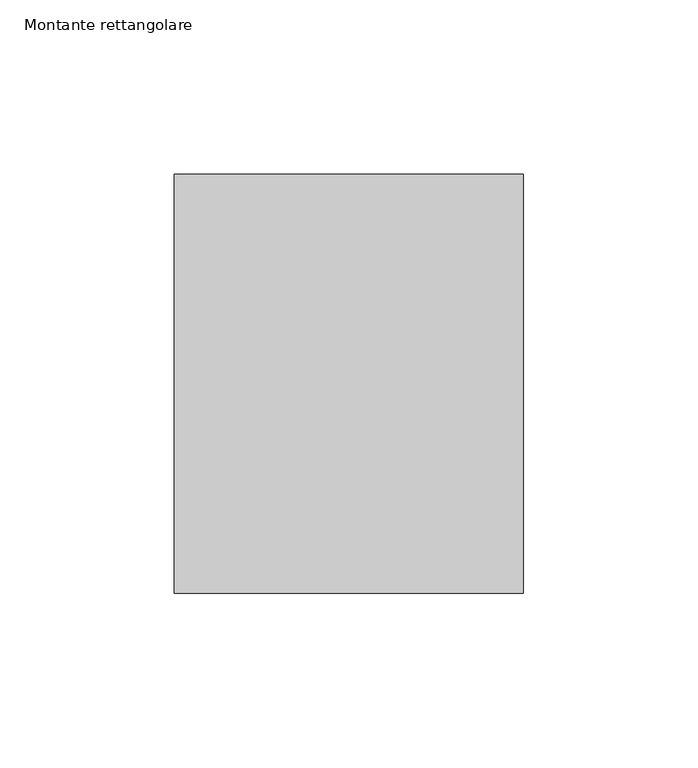
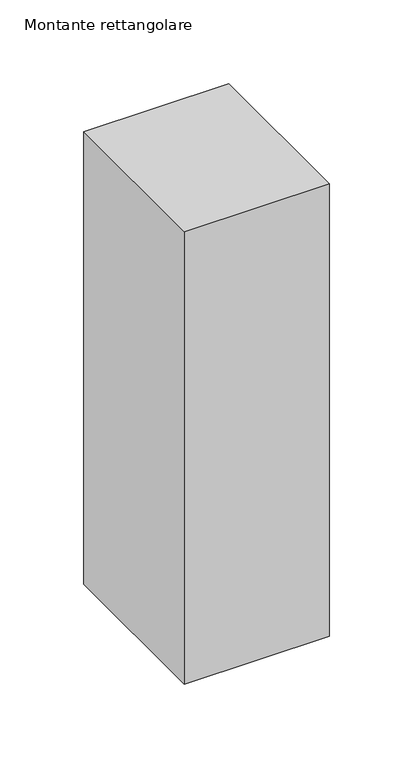
"""IFC4 building model written with IfcOpenShell, lengths in millimetres: member geometry, Montante rettangolare."""

from ifc_helpers import new_model, si_unit, frame, origin, place, context, project, spatial, polyline, outline, extrude, source, transform, mapped, element, save


def montante_rettangolare_9e1149b9(model_context):
    return source(origin(), model_context, "Body", "SweptSolid", [
        extrude(outline(polyline([(0.0, 60.0), (0.0, -60.0), (-100.0, -60.0), (-100.0, 60.0), (0.0, 60.0)])), frame((0.0, 0.0, -330.0), z_axis=(0.0, 0.0, 1.0), x_axis=(1.0, 0.0, 0.0)), (0.0, 0.0, 1.0), 330.0),
    ])


if __name__ == "__main__":
    model = new_model("IFC4")
    model_context = context("Model", 3, world=origin())
    ifc_project = project(units=[si_unit("LENGTHUNIT", "METRE", prefix="MILLI")], contexts=[model_context])
    site = spatial("IfcSite", under=ifc_project)
    building = spatial("IfcBuilding", under=site)
    placement = place(None, origin())
    montante_rettangolare_shape = montante_rettangolare_9e1149b9(model_context)
    element("IfcMember", 1, ObjectType="Montante rettangolare", at=placement, inside=building, context=model_context, shape_type="MappedRepresentation", body=[
        mapped(montante_rettangolare_shape, transform((0.0, 0.0, 0.0), x_axis=(1.0, 0.0, 0.0), y_axis=(0.0, 1.0, 0.0), z_axis=(0.0, 0.0, 1.0))),
    ])
    save(model, "model.ifc")
